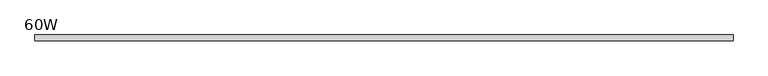
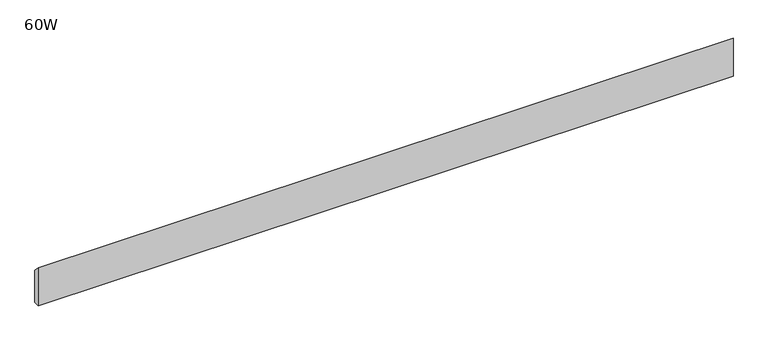
"""IFC4 building model written with IfcOpenShell, lengths in millimetres: furniture geometry, 60W."""

from ifc_helpers import new_model, si_unit, frame, origin, place, context, project, spatial, polyline, outline, extrude, source, transform, mapped, element, save


def furniture_60w_26542024(model_context):
    return source(origin(), model_context, "Body", "SweptSolid", [
        extrude(outline(polyline([(-11.938, 882.65), (-11.938, 965.2), (0.0, 952.5), (0.0, 882.65), (-11.938, 882.65)])), frame((48.006, 0.0, 0.0), z_axis=(1.0, 0.0, 0.0), x_axis=(0.0, 1.0, 0.0)), (0.0, 0.0, 1.0), 1427.988),
    ])


if __name__ == "__main__":
    model = new_model("IFC4")
    model_context = context("Model", 3, world=origin())
    ifc_project = project(units=[si_unit("LENGTHUNIT", "METRE", prefix="MILLI")], contexts=[model_context])
    site = spatial("IfcSite", under=ifc_project)
    building = spatial("IfcBuilding", under=site)
    placement = place(None, origin())
    furniture_60w_shape = furniture_60w_26542024(model_context)
    element("IfcFurniture", 1, ObjectType="60W", at=placement, inside=building, context=model_context, shape_type="MappedRepresentation", body=[
        mapped(furniture_60w_shape, transform((0.0, 0.0, 0.0), x_axis=(1.0, 0.0, 0.0), y_axis=(0.0, 1.0, 0.0), z_axis=(0.0, 0.0, 1.0))),
    ])
    save(model, "model.ifc")
